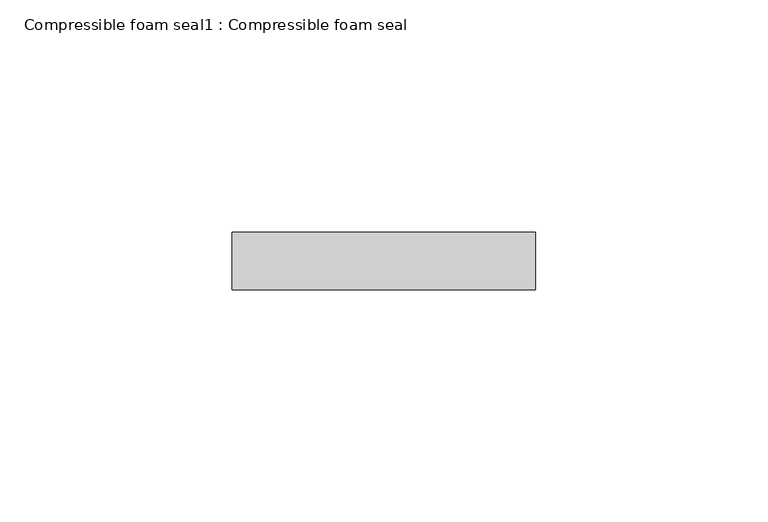
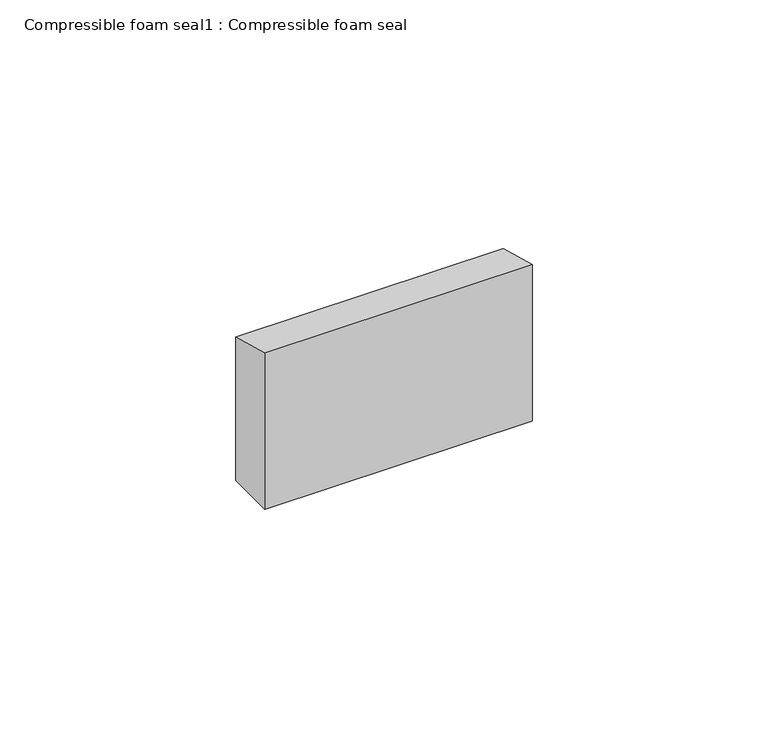
"""IFC4 building model written with IfcOpenShell, lengths in millimetres: proxy geometry, Compressible foam seal1 : Compressible foam seal."""

from ifc_helpers import new_model, si_unit, frame, origin, place, context, project, spatial, polyline, outline, extrude, source, transform, mapped, element, save


def compressible_foam_seal1_compressible_foam_seal_3d3ce578(model_context):
    return source(origin(), model_context, "Body", "SweptSolid", [
        extrude(outline(polyline([(659.8333305, 306.4551735), (672.2344915, 303.1322924), (672.2344915, 265.9589997), (659.8333305, 265.9589997), (659.8333305, 306.4551735)])), frame((12426.8688838, 0.0, 0.0), z_axis=(1.0, 0.0, 0.0), x_axis=(0.0, 1.0, 0.0)), (0.0, 0.0, 1.0), 65.4852948),
    ])


if __name__ == "__main__":
    model = new_model("IFC4")
    model_context = context("Model", 3, world=origin())
    ifc_project = project(units=[si_unit("LENGTHUNIT", "METRE", prefix="MILLI")], contexts=[model_context])
    site = spatial("IfcSite", under=ifc_project)
    building = spatial("IfcBuilding", under=site)
    placement = place(None, origin())
    compressible_foam_seal1_compressible_foam_seal_shape = compressible_foam_seal1_compressible_foam_seal_3d3ce578(model_context)
    element("IfcBuildingElementProxy", 1, Name="Compressible foam seal1 : Compressible foam seal", ObjectType="Compressible foam seal1 : Compressible foam seal", at=placement, inside=building, context=model_context, shape_type="MappedRepresentation", body=[
        mapped(compressible_foam_seal1_compressible_foam_seal_shape, transform((0.0, 0.0, 0.0), x_axis=(1.0, 0.0, 0.0), y_axis=(0.0, 1.0, 0.0), z_axis=(0.0, 0.0, 1.0))),
    ])
    save(model, "model.ifc")
